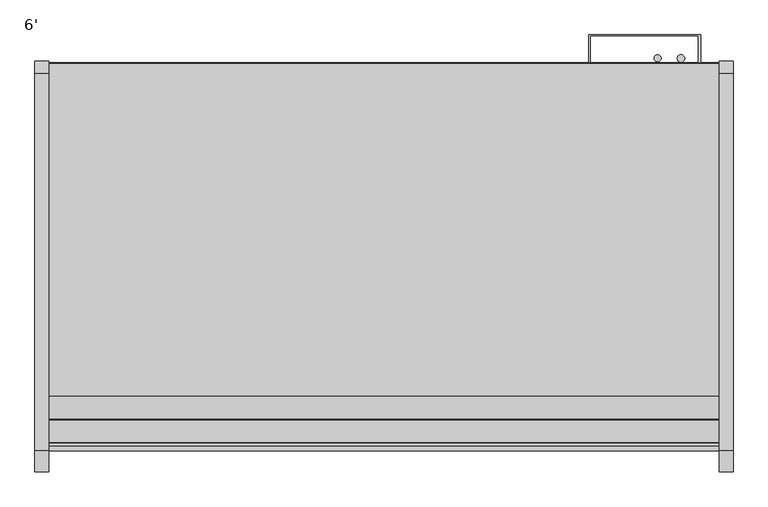
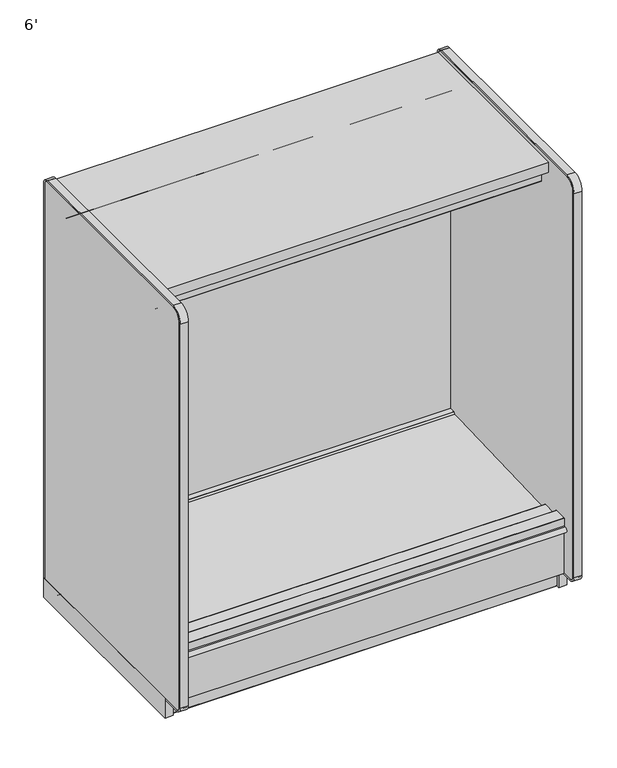
"""IFC4 building model written with IfcOpenShell, lengths in millimetres: proxy geometry, 6'."""

from ifc_helpers import new_model, si_unit, point, frame, frame_2d, origin, origin_with_axes, place, context, project, spatial, polyline, circle_curve, trimmed, segment, composite_curve, outline, extrude, source, transform, mapped, element, save
from ifc_brep_helpers import plane_surface, cylinder_surface, revolved_surface, advanced_brep


def proxy_6_9860b2ac(model_context):
    return source(origin(), model_context, "Body", "SolidModel", [
        advanced_brep(
        [(1828.8, -1254.2383502, 105.16235), (1828.8, -1254.2383502, 5.1562), (1828.8, -1251.8507502, 2.7686), (1828.8, -1219.3133502, 2.7686), (1828.8, -1219.3133502, 70.23735), (1828.8, -489.0633502, 70.23735), (1828.8, -489.0633502, 2.7686), (1828.8, -456.5259502, 2.7686), (1828.8, -454.1383502, 5.1562), (1828.8, -454.1383502, 105.16235), (0.0, -1254.2383502, 105.16235), (0.0, -454.1383502, 105.16235), (0.0, -454.1383502, 5.1562), (0.0, -456.5259502, 2.7686), (0.0, -489.0633502, 2.7686), (0.0, -489.0633502, 70.23735), (0.0, -1219.3133502, 70.23735), (0.0, -1219.3133502, 2.7686), (0.0, -1251.8507502, 2.7686), (0.0, -1254.2383502, 5.1562), (884.7855715, -1219.3133502, 70.23735), (944.0144285, -1219.3133502, 70.23735), (1606.55, -1219.3133502, 70.23735), (1657.35, -1168.5133502, 70.23735), (1555.75, -1168.5133502, 70.23735), (965.2, -1178.0383502, 70.23735), (863.6, -1178.0383502, 70.23735), (1657.35, -1168.5133502, 105.16235), (1555.75, -1168.5133502, 105.16235), (965.2, -1178.0383502, 105.16235), (863.6, -1178.0383502, 105.16235)],
        [
            (0, 1),
            (1, 2, circle_curve(frame((1828.8, -1251.8507502, 5.1562), z_axis=(1.0, 0.0, 0.0), x_axis=(0.0, 1.0, 0.0)), 2.3876)),
            (2, 3),
            (3, 4),
            (4, 5),
            (5, 6),
            (6, 7),
            (7, 8, circle_curve(frame((1828.8, -456.5259502, 5.1562), z_axis=(1.0, 0.0, 0.0), x_axis=(0.0, 1.0, 0.0)), 2.3876)),
            (8, 9),
            (9, 0),
            (10, 11),
            (11, 12),
            (12, 13, circle_curve(frame((0.0, -456.5259502, 5.1562), z_axis=(-1.0, 0.0, 0.0), x_axis=(0.0, 1.0, 0.0)), 2.3876)),
            (13, 14),
            (14, 15),
            (15, 16),
            (16, 17),
            (17, 18),
            (18, 19, circle_curve(frame((0.0, -1251.8507502, 5.1562), z_axis=(-1.0, 0.0, 0.0), x_axis=(0.0, 1.0, 0.0)), 2.3876)),
            (19, 10),
            (0, 10),
            (19, 1),
            (18, 2),
            (17, 3),
            (16, 20),
            (20, 21),
            (21, 22),
            (22, 4),
            (22, 23, circle_curve(frame((1606.55, -1168.5133502, 70.23735), z_axis=(0.0, 0.0, 1.0), x_axis=(1.0, 0.0, 0.0)), 50.8)),
            (23, 24, circle_curve(frame((1606.55, -1168.5133502, 70.23735), z_axis=(0.0, 0.0, 1.0), x_axis=(1.0, 0.0, 0.0)), 50.8)),
            (24, 22, circle_curve(frame((1606.55, -1168.5133502, 70.23735), z_axis=(0.0, 0.0, 1.0), x_axis=(1.0, 0.0, 0.0)), 50.8)),
            (21, 25, circle_curve(frame((914.4, -1178.0383502, 70.23735), z_axis=(0.0, 0.0, 1.0), x_axis=(1.0, 0.0, 0.0)), 50.8)),
            (25, 26, circle_curve(frame((914.4, -1178.0383502, 70.23735), z_axis=(0.0, 0.0, 1.0), x_axis=(1.0, 0.0, 0.0)), 50.8)),
            (26, 20, circle_curve(frame((914.4, -1178.0383502, 70.23735), z_axis=(0.0, 0.0, 1.0), x_axis=(1.0, 0.0, 0.0)), 50.8)),
            (15, 5),
            (14, 6),
            (13, 7),
            (12, 8),
            (11, 9),
            (27, 28, circle_curve(frame((1606.55, -1168.5133502, 105.16235), z_axis=(0.0, 0.0, -1.0), x_axis=(1.0, 0.0, 0.0)), 50.8)),
            (28, 27, circle_curve(frame((1606.55, -1168.5133502, 105.16235), z_axis=(0.0, 0.0, -1.0), x_axis=(1.0, 0.0, 0.0)), 50.8)),
            (29, 30, circle_curve(frame((914.4, -1178.0383502, 105.16235), z_axis=(0.0, 0.0, -1.0), x_axis=(1.0, 0.0, 0.0)), 50.8)),
            (30, 29, circle_curve(frame((914.4, -1178.0383502, 105.16235), z_axis=(0.0, 0.0, -1.0), x_axis=(1.0, 0.0, 0.0)), 50.8)),
            (24, 28),
            (27, 23),
            (20, 21, circle_curve(frame((914.4, -1178.0383502, 70.23735), z_axis=(0.0, 0.0, 1.0), x_axis=(1.0, 0.0, 0.0)), 50.8)),
            (26, 30),
            (29, 25),
        ],
        [
            plane_surface(frame((1828.8, -1254.2383502, 105.16235), z_axis=(1.0, 0.0, 0.0), x_axis=(0.0, 0.0, -1.0))),
            plane_surface(frame((0.0, -1254.2383502, 105.16235), z_axis=(-1.0, 0.0, 0.0), x_axis=(0.0, 0.0, 1.0))),
            plane_surface(frame((1828.8, -1254.2383502, 105.16235), z_axis=(0.0, -1.0, 0.0), x_axis=(-1.0, 0.0, 0.0))),
            cylinder_surface(frame((0.0, -1251.8507502, 5.1562), z_axis=(1.0, 0.0, 0.0), x_axis=(0.0, 1.0, 0.0)), 2.3876),
            plane_surface(frame((1828.8, -1251.8507502, 2.7686), z_axis=(0.0, 0.0, -1.0), x_axis=(-1.0, 0.0, 0.0))),
            plane_surface(frame((1828.8, -1219.3133502, 2.7686), z_axis=(0.0, 1.0, 0.0), x_axis=(-1.0, 0.0, 0.0))),
            plane_surface(frame((1828.8, -1219.3133502, 70.23735), z_axis=(0.0, 0.0, -1.0), x_axis=(-1.0, 0.0, 0.0))),
            plane_surface(frame((1828.8, -489.0633502, 70.23735), z_axis=(0.0, -1.0, 0.0), x_axis=(-1.0, 0.0, 0.0))),
            plane_surface(frame((1828.8, -489.0633502, 2.7686), z_axis=(0.0, 0.0, -1.0), x_axis=(-1.0, 0.0, 0.0))),
            cylinder_surface(frame((0.0, -456.5259502, 5.1562), z_axis=(1.0, 0.0, 0.0), x_axis=(0.0, 1.0, 0.0)), 2.3876),
            plane_surface(frame((1828.8, -454.1383502, 5.1562), z_axis=(0.0, 1.0, 0.0), x_axis=(-1.0, 0.0, 0.0))),
            plane_surface(frame((1828.8, -454.1383502, 105.16235), z_axis=(0.0, 0.0, 1.0), x_axis=(-1.0, 0.0, 0.0))),
            revolved_surface(polyline([(1657.35, -1168.5133502, 105.16235), (1657.35, -1168.5133502, 70.23735)]), (1606.55, -1168.5133502, 70.23735), (0.0, 0.0, 1.0)),
            plane_surface(frame((965.2, -1178.0383502, 70.23735), z_axis=(0.0, 0.0, 1.0), x_axis=(0.0, -1.0, 0.0))),
            revolved_surface(polyline([(965.1999999999999, -1178.0383502, 105.16235), (965.1999999999999, -1178.0383502, 70.23735)]), (914.4, -1178.0383502, 70.23735), (0.0, 0.0, 1.0)),
        ],
        [
            (0, [[1, 2, 3, 4, 5, 6, 7, 8, 9, 10]]),
            (1, [[11, 12, 13, 14, 15, 16, 17, 18, 19, 20]]),
            (2, [[-1, 21, -20, 22]]),
            (3, [[-2, -22, -19, 23]]),
            (4, [[-3, -23, -18, 24]]),
            (5, [[-4, -24, -17, 25, 26, 27, 28]]),
            (6, [[-5, -28, 29, 30, 31, -27, 32, 33, 34, -25, -16, 35]]),
            (7, [[-6, -35, -15, 36]]),
            (8, [[-7, -36, -14, 37]]),
            (9, [[-8, -37, -13, 38]]),
            (10, [[-9, -38, -12, 39]]),
            (11, [[-10, -39, -11, -21], [40, 41], [42, 43]]),
            (12, [[44, -40, 45, -29, -31]]),
            (12, [[-44, -30, -45, -41]]),
            (13, [[46, -26]]),
            (14, [[-46, -34, 47, -42, 48, -32]]),
            (14, [[-47, -33, -48, -43]]),
        ],
    ),
        extrude(outline(composite_curve([segment(polyline([(-451.3697502, 24.892), (-451.3697502, 5.1562)]), True, "CONTINUOUS"), segment(trimmed(circle_curve(frame_2d((-456.5259502, 5.1562)), 5.1562), [point((-451.3697502, 5.1562))], [point((-456.5259502, 0.0))], False, "CARTESIAN"), True, "CONTINUOUS"), segment(polyline([(-456.5259502, 0.0), (-491.4382502, 0.0)]), True, "CONTINUOUS"), segment(trimmed(circle_curve(frame_2d((-491.4382502, 5.1562)), 5.1562), [point((-491.4382502, 0.0))], [point((-496.5944502, 5.1562))], False, "CARTESIAN"), True, "CONTINUOUS"), segment(polyline([(-496.5944502, 5.1562), (-496.5944502, 24.9047)]), True, "CONTINUOUS"), segment(trimmed(circle_curve(frame_2d((-498.9820502, 24.9047)), 2.3876), [point((-496.5944502, 24.9047))], [point((-498.9820502, 27.2923))], True, "CARTESIAN"), True, "CONTINUOUS"), segment(polyline([(-498.9820502, 27.2923), (-510.2088502, 27.2923)]), True, "CONTINUOUS"), segment(trimmed(circle_curve(frame_2d((-510.2088502, 24.9047)), 2.3876), [point((-510.2088502, 27.2923))], [point((-512.5964502, 24.9047))], True, "CARTESIAN"), True, "CONTINUOUS"), segment(polyline([(-512.5964502, 24.9047), (-512.5964502, 7.4422), (-516.0508502, 7.4422), (-516.0508502, 24.9047)]), True, "CONTINUOUS"), segment(trimmed(circle_curve(frame_2d((-510.8946502, 24.9047)), 5.1562), [point((-516.0508502, 24.9047))], [point((-510.8946502, 30.0609))], False, "CARTESIAN"), True, "CONTINUOUS"), segment(polyline([(-510.8946502, 30.0609), (-498.9820502, 30.0609)]), True, "CONTINUOUS"), segment(trimmed(circle_curve(frame_2d((-498.9820502, 24.9047)), 5.1562), [point((-498.9820502, 30.0609))], [point((-493.8258502, 24.9047))], False, "CARTESIAN"), True, "CONTINUOUS"), segment(polyline([(-493.8258502, 24.9047), (-493.8258502, 5.1562)]), True, "CONTINUOUS"), segment(trimmed(circle_curve(frame_2d((-491.4382502, 5.1562)), 2.3876), [point((-493.8258502, 5.1562))], [point((-491.4382502, 2.7686))], True, "CARTESIAN"), True, "CONTINUOUS"), segment(polyline([(-491.4382502, 2.7686), (-456.5259502, 2.7686)]), True, "CONTINUOUS"), segment(trimmed(circle_curve(frame_2d((-456.5259502, 5.1562)), 2.3876), [point((-456.5259502, 2.7686))], [point((-454.1383502, 5.1562))], True, "CARTESIAN"), True, "CONTINUOUS"), segment(polyline([(-454.1383502, 5.1562), (-454.1383502, 24.892), (-451.3697502, 24.892)]), True, "CONTINUOUS")], self_intersect=False)), frame((0.0, 0.0, 0.0), z_axis=(1.0, 0.0, 0.0), x_axis=(0.0, 1.0, 0.0)), (0.0, 0.0, 1.0), 1828.8),
        extrude(outline(composite_curve([segment(polyline([(-1257.0069502, 24.892), (-1254.2383502, 24.892), (-1254.2383502, 5.1562)]), True, "CONTINUOUS"), segment(trimmed(circle_curve(frame_2d((-1251.8507502, 5.1562)), 2.3876), [point((-1254.2383502, 5.1562))], [point((-1251.8507502, 2.7686))], True, "CARTESIAN"), True, "CONTINUOUS"), segment(polyline([(-1251.8507502, 2.7686), (-1216.9384502, 2.7686)]), True, "CONTINUOUS"), segment(trimmed(circle_curve(frame_2d((-1216.9384502, 5.1562)), 2.3876), [point((-1216.9384502, 2.7686))], [point((-1214.5508502, 5.1562))], True, "CARTESIAN"), True, "CONTINUOUS"), segment(polyline([(-1214.5508502, 5.1562), (-1214.5508502, 24.9047)]), True, "CONTINUOUS"), segment(trimmed(circle_curve(frame_2d((-1209.3946502, 24.9047)), 5.1562), [point((-1214.5508502, 24.9047))], [point((-1209.3946502, 30.0609))], False, "CARTESIAN"), True, "CONTINUOUS"), segment(polyline([(-1209.3946502, 30.0609), (-1197.4820502, 30.0609)]), True, "CONTINUOUS"), segment(trimmed(circle_curve(frame_2d((-1197.4820502, 24.9047)), 5.1562), [point((-1197.4820502, 30.0609))], [point((-1192.3258502, 24.9047))], False, "CARTESIAN"), True, "CONTINUOUS"), segment(polyline([(-1192.3258502, 24.9047), (-1192.3258502, 7.4422), (-1195.7802502, 7.4422), (-1195.7802502, 24.9047)]), True, "CONTINUOUS"), segment(trimmed(circle_curve(frame_2d((-1198.1678502, 24.9047)), 2.3876), [point((-1195.7802502, 24.9047))], [point((-1198.1678502, 27.2923))], True, "CARTESIAN"), True, "CONTINUOUS"), segment(polyline([(-1198.1678502, 27.2923), (-1209.3946502, 27.2923)]), True, "CONTINUOUS"), segment(trimmed(circle_curve(frame_2d((-1209.3946502, 24.9047)), 2.3876), [point((-1209.3946502, 27.2923))], [point((-1211.7822502, 24.9047))], True, "CARTESIAN"), True, "CONTINUOUS"), segment(polyline([(-1211.7822502, 24.9047), (-1211.7822502, 5.1562)]), True, "CONTINUOUS"), segment(trimmed(circle_curve(frame_2d((-1216.9384502, 5.1562)), 5.1562), [point((-1211.7822502, 5.1562))], [point((-1216.9384502, 0.0))], False, "CARTESIAN"), True, "CONTINUOUS"), segment(polyline([(-1216.9384502, 0.0), (-1251.8507502, 0.0)]), True, "CONTINUOUS"), segment(trimmed(circle_curve(frame_2d((-1251.8507502, 5.1562)), 5.1562), [point((-1251.8507502, 0.0))], [point((-1257.0069502, 5.1562))], False, "CARTESIAN"), True, "CONTINUOUS"), segment(polyline([(-1257.0069502, 5.1562), (-1257.0069502, 24.892)]), True, "CONTINUOUS")], self_intersect=False)), frame((0.0, 0.0, 0.0), z_axis=(1.0, 0.0, 0.0), x_axis=(0.0, 1.0, 0.0)), (0.0, 0.0, 1.0), 1828.8),
        extrude(outline(composite_curve([segment(trimmed(circle_curve(frame_2d((1661.0209056, -439.1639482)), 9.525), [point((1651.4959056, -439.1639482))], [point((1670.5459056, -439.1639482))], False, "CARTESIAN"), True, "CONTINUOUS"), segment(trimmed(circle_curve(frame_2d((1661.0209056, -439.1639482)), 9.525), [point((1670.5459056, -439.1639482))], [point((1651.4959056, -439.1639482))], False, "CARTESIAN"), True, "CONTINUOUS")], self_intersect=False)), frame((0.0, 0.0, 792.5674787), z_axis=(0.0, 0.0, 1.0), x_axis=(1.0, 0.0, 0.0)), (0.0, 0.0, 1.0), 1168.7570226),
        extrude(outline(composite_curve([segment(trimmed(circle_curve(frame_2d((1724.5917977, -439.6429538)), 10.2531742), [point((1714.3386235, -439.6429538))], [point((1734.8449719, -439.6429538))], False, "CARTESIAN"), True, "CONTINUOUS"), segment(trimmed(circle_curve(frame_2d((1724.5917977, -439.6429538)), 10.2531742), [point((1734.8449719, -439.6429538))], [point((1714.3386235, -439.6429538))], False, "CARTESIAN"), True, "CONTINUOUS")], self_intersect=False)), frame((0.0, 0.0, 792.5674787), z_axis=(0.0, 0.0, 1.0), x_axis=(1.0, 0.0, 0.0)), (0.0, 0.0, 1.0), 1168.7570226),
        extrude(outline(polyline([(1473.2, -375.1697502), (1778.0, -375.1697502), (1778.0, -451.3697502), (1772.280599, -451.3697502), (1772.280599, -377.80742), (1477.0597521, -377.80742), (1477.0597521, -451.3697502), (1473.2, -451.3697502), (1473.2, -375.1697502)])), frame((0.0, 0.0, 237.9789513), z_axis=(0.0, 0.0, 1.0), x_axis=(1.0, 0.0, 0.0)), (0.0, 0.0, 1.0), 1710.01055),
        extrude(outline(polyline([(1866.9, -446.4985065), (1866.9, -1443.7687873), (1828.8, -1443.7687873), (1828.8, -446.4985065), (1866.9, -446.4985065)])), origin_with_axes(), (0.0, 0.0, 1.0), 98.81235),
        extrude(outline(composite_curve([segment(trimmed(circle_curve(frame_2d((-1497.6269405, 323.2962194)), 12.7), [point((-1497.6269405, 310.5962194))], [point((-1497.6269405, 335.9962194))], False, "CARTESIAN"), True, "CONTINUOUS"), segment(polyline([(-1497.6269405, 335.9962194), (-1489.2352586, 335.9962194), (-1489.2352586, 310.5962194), (-1497.6269405, 310.5962194)]), True, "CONTINUOUS")], self_intersect=False)), frame((0.0, 0.0, 0.0), z_axis=(1.0, 0.0, 0.0), x_axis=(0.0, 1.0, 0.0)), (0.0, 0.0, 1.0), 1828.8),
        extrude(outline(polyline([(1828.8, -1199.723124), (1828.8, -1299.5321065), (0.0, -1299.5321065), (0.0, -1199.723124), (1828.8, -1199.723124)])), frame((0.0, 0.0, 1949.1777451), z_axis=(0.0, 0.0, 1.0), x_axis=(1.0, 0.0, 0.0)), (0.0, 0.0, 1.0), 24.9083039),
        extrude(outline(polyline([(1828.8, -1425.21163), (1828.8, -1474.7938566), (0.0, -1474.7938566), (0.0, -1425.21163), (1828.8, -1425.21163)])), frame((0.0, 0.0, 269.2585075), z_axis=(0.0, 0.0, 1.0), x_axis=(1.0, 0.0, 0.0)), (0.0, 0.0, 1.0), 86.5178535),
        extrude(outline(composite_curve([segment(polyline([(-1487.3589273, 323.2962194), (-1489.2352586, 323.2962194), (-1489.2352586, 373.8422194)]), True, "CONTINUOUS"), segment(trimmed(circle_curve(frame_2d((-1487.6604586, 373.8422194)), 1.5748), [point((-1489.2352586, 373.8422194))], [point((-1487.6604586, 375.4170194))], False, "CARTESIAN"), True, "CONTINUOUS"), segment(polyline([(-1487.6604586, 375.4170194), (-1426.6598594, 375.4170194)]), True, "CONTINUOUS"), segment(trimmed(circle_curve(frame_2d((-1426.6598594, 373.8422194)), 1.5748), [point((-1426.6598594, 375.4170194))], [point((-1425.0850594, 373.8422194))], False, "CARTESIAN"), True, "CONTINUOUS"), segment(polyline([(-1425.0850594, 373.8422194), (-1425.0850594, 355.7763611), (-1474.7938566, 355.7763611), (-1474.7938566, 105.16235), (-1457.9209502, 105.16235), (-1457.9209502, 97.61855), (-1487.3589273, 97.61855), (-1487.3589273, 323.2962194)]), True, "CONTINUOUS")], self_intersect=False)), frame((0.0, 0.0, 0.0), z_axis=(1.0, 0.0, 0.0), x_axis=(0.0, 1.0, 0.0)), (0.0, 0.0, 1.0), 1828.8),
        extrude(outline(composite_curve([segment(polyline([(-504.1937745, 187.1774545), (-1341.005955, 157.9553293), (-1425.21163, 167.5451411), (-1425.21163, 347.5376575), (-1336.1824949, 350.6466237)]), True, "CONTINUOUS"), segment(trimmed(circle_curve(frame_2d((-1336.1142384, 348.6920151)), 1.9558), [point((-1336.1824949, 350.6466237))], [point((-1334.1596299, 348.7602715))], False, "CARTESIAN"), True, "CONTINUOUS"), segment(polyline([(-1334.1596299, 348.7602715), (-1333.2971167, 324.0611268), (-589.0533013, 350.0506957), (-582.1621455, 357.4405555)]), True, "CONTINUOUS"), segment(trimmed(circle_curve(frame_2d((-581.0475625, 356.40119)), 1.524), [point((-582.1621455, 357.4405555))], [point((-581.1007493, 357.9242616))], False, "CARTESIAN"), True, "CONTINUOUS"), segment(polyline([(-581.1007493, 357.9242616), (-555.6910045, 358.8115894), (-555.6910045, 237.9789513), (-504.1937745, 237.9789513), (-504.1937745, 187.1774545)]), True, "CONTINUOUS")], self_intersect=False)), frame((0.0, 0.0, 0.0), z_axis=(1.0, 0.0, 0.0), x_axis=(0.0, 1.0, 0.0)), (0.0, 0.0, 1.0), 1828.8),
        extrude(outline(composite_curve([segment(polyline([(-504.1937745, 237.9789513), (-555.6910045, 237.9789513), (-555.6910045, 1936.2930061)]), True, "CONTINUOUS"), segment(trimmed(circle_curve(frame_2d((-581.1383502, 1935.8737013)), 25.4508), [point((-555.6910045, 1936.2930061))], [point((-581.1383502, 1961.3245013))], True, "CARTESIAN"), True, "CONTINUOUS"), segment(polyline([(-581.1383502, 1961.3245013), (-648.0165502, 1961.3245013), (-648.0165502, 1975.0611268), (-1198.4332802, 1975.0611268), (-1198.4332802, 1949.4119013)]), True, "CONTINUOUS"), segment(trimmed(circle_curve(frame_2d((-1199.9572802, 1949.4119013)), 1.524), [point((-1198.4332802, 1949.4119013))], [point((-1199.9572802, 1947.8879013))], False, "CARTESIAN"), True, "CONTINUOUS"), segment(polyline([(-1199.9572802, 1947.8879013), (-1210.3458802, 1947.8879013), (-1210.3458802, 1949.1777451), (-1199.723124, 1949.1777451), (-1199.723124, 1974.0860489), (-1299.5321065, 1974.0860489), (-1299.5321065, 1949.2793451), (-1290.3444502, 1949.2793451), (-1290.3444502, 1947.9895013), (-1299.5019338, 1947.9895013)]), True, "CONTINUOUS"), segment(trimmed(circle_curve(frame_2d((-1299.5019338, 1949.3095178)), 1.3200165), [point((-1299.5019338, 1947.9895013))], [point((-1300.8219502, 1949.3095178))], False, "CARTESIAN"), True, "CONTINUOUS"), segment(polyline([(-1300.8219502, 1949.3095178), (-1300.8219502, 2029.1361513), (-504.1937745, 2029.1361513), (-504.1937745, 237.9789513)]), True, "CONTINUOUS")], self_intersect=False)), frame((0.0, 0.0, 0.0), z_axis=(1.0, 0.0, 0.0), x_axis=(0.0, 1.0, 0.0)), (0.0, 0.0, 1.0), 1828.8),
        extrude(outline(polyline([(-454.1383502, 2079.9361513), (-454.1383502, 304.27295), (-504.1937745, 304.27295), (-504.1937745, 2029.1361513), (-1361.2177409, 2029.1361513), (-1361.2177409, 2079.9361513), (-454.1383502, 2079.9361513)])), frame((0.0, 0.0, 0.0), z_axis=(1.0, 0.0, 0.0), x_axis=(0.0, 1.0, 0.0)), (0.0, 0.0, 1.0), 1828.8),
        extrude(outline(polyline([(-1474.7938566, 105.16235), (-1474.7938566, 269.2585075), (-1425.21163, 269.2585075), (-1425.21163, 167.5451411), (-1341.005955, 157.9553293), (-504.1937745, 187.1774545), (-504.1937745, 304.27295), (-454.1383502, 304.27295), (-454.1383502, 105.16235), (-1474.7938566, 105.16235)])), frame((0.0, 0.0, 0.0), z_axis=(1.0, 0.0, 0.0), x_axis=(0.0, 1.0, 0.0)), (0.0, 0.0, 1.0), 1828.8),
        extrude(outline(composite_curve([segment(trimmed(circle_curve(frame_2d((-1428.9268502, 1.524)), 1.524), [point((-1428.9268502, 0.0))], [point((-1430.4508502, 1.524))], False, "CARTESIAN"), True, "CONTINUOUS"), segment(polyline([(-1430.4508502, 1.524), (-1430.4508502, 98.425)]), True, "CONTINUOUS"), segment(trimmed(circle_curve(frame_2d((-1429.7142502, 98.425)), 0.7366), [point((-1430.4508502, 98.425))], [point((-1429.7142502, 99.1616))], False, "CARTESIAN"), True, "CONTINUOUS"), segment(polyline([(-1429.7142502, 99.1616), (-1429.7142502, 1.524)]), True, "CONTINUOUS"), segment(trimmed(circle_curve(frame_2d((-1428.9268502, 1.524)), 0.7874), [point((-1429.7142502, 1.524))], [point((-1428.9268502, 0.7366))], True, "CARTESIAN"), True, "CONTINUOUS"), segment(polyline([(-1428.9268502, 0.7366), (-1425.8193538, 0.7366), (-1425.3035809, 1.4732), (-1419.6901809, 1.4732)]), True, "CONTINUOUS"), segment(trimmed(circle_curve(frame_2d((-1419.6901809, 0.7366)), 0.7366), [point((-1419.6901809, 1.4732))], [point((-1419.6901809, 0.0))], False, "CARTESIAN"), True, "CONTINUOUS"), segment(polyline([(-1419.6901809, 0.0), (-1428.9268502, 0.0)]), True, "CONTINUOUS")], self_intersect=False)), frame((0.0, 0.0, 0.0), z_axis=(1.0, 0.0, 0.0), x_axis=(0.0, 1.0, 0.0)), (0.0, 0.0, 1.0), 1828.8),
        extrude(outline(composite_curve([segment(polyline([(-479.5383502, 2098.675), (-1509.9417448, 2098.675)]), True, "CONTINUOUS"), segment(trimmed(circle_curve(frame_2d((-1509.9417448, 2047.875)), 50.8), [point((-1509.9417448, 2098.675))], [point((-1560.7417448, 2047.875))], True, "CARTESIAN"), True, "CONTINUOUS"), segment(polyline([(-1560.7417448, 2047.875), (-1560.7417448, 124.21235)]), True, "CONTINUOUS"), segment(trimmed(circle_curve(frame_2d((-1535.3417448, 124.21235)), 25.4), [point((-1560.7417448, 124.21235))], [point((-1535.3417448, 98.81235))], True, "CARTESIAN"), True, "CONTINUOUS"), segment(polyline([(-1535.3417448, 98.81235), (-1443.7687873, 98.81235), (-1443.7687873, 91.1725063), (-1535.3417448, 91.1725063)]), True, "CONTINUOUS"), segment(trimmed(circle_curve(frame_2d((-1535.3417448, 124.21235)), 33.0398438), [point((-1535.3417448, 91.1725063))], [point((-1568.3815885, 124.21235))], False, "CARTESIAN"), True, "CONTINUOUS"), segment(polyline([(-1568.3815885, 124.21235), (-1568.3815885, 2047.875)]), True, "CONTINUOUS"), segment(trimmed(circle_curve(frame_2d((-1509.9417448, 2047.875)), 58.4398437), [point((-1568.3815885, 2047.875))], [point((-1509.9417448, 2106.3148438))], False, "CARTESIAN"), True, "CONTINUOUS"), segment(polyline([(-1509.9417448, 2106.3148438), (-479.5383502, 2106.3148438)]), True, "CONTINUOUS"), segment(trimmed(circle_curve(frame_2d((-479.5383502, 2073.275)), 33.0398438), [point((-479.5383502, 2106.3148438))], [point((-446.4985065, 2073.275))], False, "CARTESIAN"), True, "CONTINUOUS"), segment(polyline([(-446.4985065, 2073.275), (-446.4985065, 98.81235), (-454.1383502, 98.81235), (-454.1383502, 2073.275)]), True, "CONTINUOUS"), segment(trimmed(circle_curve(frame_2d((-479.5383502, 2073.275)), 25.4), [point((-454.1383502, 2073.275))], [point((-479.5383502, 2098.675))], True, "CARTESIAN"), True, "CONTINUOUS")], self_intersect=False)), frame((1828.8, 0.0, 0.0), z_axis=(1.0, 0.0, 0.0), x_axis=(0.0, 1.0, 0.0)), (0.0, 0.0, 1.0), 38.1),
        extrude(outline(composite_curve([segment(trimmed(circle_curve(frame_2d((-479.5383502, 2073.275)), 25.4), [point((-479.5383502, 2098.675))], [point((-454.1383502, 2073.275))], False, "CARTESIAN"), True, "CONTINUOUS"), segment(polyline([(-454.1383502, 2073.275), (-454.1383502, 98.81235), (-1535.3417448, 98.81235)]), True, "CONTINUOUS"), segment(trimmed(circle_curve(frame_2d((-1535.3417448, 124.21235)), 25.4), [point((-1535.3417448, 98.81235))], [point((-1560.7417448, 124.21235))], False, "CARTESIAN"), True, "CONTINUOUS"), segment(polyline([(-1560.7417448, 124.21235), (-1560.7417448, 2047.875)]), True, "CONTINUOUS"), segment(trimmed(circle_curve(frame_2d((-1509.9417448, 2047.875)), 50.8), [point((-1560.7417448, 2047.875))], [point((-1509.9417448, 2098.675))], False, "CARTESIAN"), True, "CONTINUOUS"), segment(polyline([(-1509.9417448, 2098.675), (-479.5383502, 2098.675)]), True, "CONTINUOUS")], self_intersect=False)), frame((1828.8, 0.0, 0.0), z_axis=(1.0, 0.0, 0.0), x_axis=(0.0, 1.0, 0.0)), (0.0, 0.0, 1.0), 38.1),
        extrude(outline(polyline([(0.0, -446.4985065), (0.0, -1443.7687873), (-38.1, -1443.7687873), (-38.1, -446.4985065), (0.0, -446.4985065)])), origin_with_axes(), (0.0, 0.0, 1.0), 98.81235),
        extrude(outline(composite_curve([segment(polyline([(-479.5383502, 2098.675), (-1509.9417448, 2098.675)]), True, "CONTINUOUS"), segment(trimmed(circle_curve(frame_2d((-1509.9417448, 2047.875)), 50.8), [point((-1509.9417448, 2098.675))], [point((-1560.7417448, 2047.875))], True, "CARTESIAN"), True, "CONTINUOUS"), segment(polyline([(-1560.7417448, 2047.875), (-1560.7417448, 124.21235)]), True, "CONTINUOUS"), segment(trimmed(circle_curve(frame_2d((-1535.3417448, 124.21235)), 25.4), [point((-1560.7417448, 124.21235))], [point((-1535.3417448, 98.81235))], True, "CARTESIAN"), True, "CONTINUOUS"), segment(polyline([(-1535.3417448, 98.81235), (-1443.7687873, 98.81235), (-1443.7687873, 91.1725063), (-1535.3417448, 91.1725063)]), True, "CONTINUOUS"), segment(trimmed(circle_curve(frame_2d((-1535.3417448, 124.21235)), 33.0398438), [point((-1535.3417448, 91.1725063))], [point((-1568.3815885, 124.21235))], False, "CARTESIAN"), True, "CONTINUOUS"), segment(polyline([(-1568.3815885, 124.21235), (-1568.3815885, 2047.875)]), True, "CONTINUOUS"), segment(trimmed(circle_curve(frame_2d((-1509.9417448, 2047.875)), 58.4398437), [point((-1568.3815885, 2047.875))], [point((-1509.9417448, 2106.3148438))], False, "CARTESIAN"), True, "CONTINUOUS"), segment(polyline([(-1509.9417448, 2106.3148438), (-479.5383502, 2106.3148438)]), True, "CONTINUOUS"), segment(trimmed(circle_curve(frame_2d((-479.5383502, 2073.275)), 33.0398438), [point((-479.5383502, 2106.3148438))], [point((-446.4985065, 2073.275))], False, "CARTESIAN"), True, "CONTINUOUS"), segment(polyline([(-446.4985065, 2073.275), (-446.4985065, 98.81235), (-454.1383502, 98.81235), (-454.1383502, 2073.275)]), True, "CONTINUOUS"), segment(trimmed(circle_curve(frame_2d((-479.5383502, 2073.275)), 25.4), [point((-454.1383502, 2073.275))], [point((-479.5383502, 2098.675))], True, "CARTESIAN"), True, "CONTINUOUS")], self_intersect=False)), frame((-38.1, 0.0, 0.0), z_axis=(1.0, 0.0, 0.0), x_axis=(0.0, 1.0, 0.0)), (0.0, 0.0, 1.0), 38.1),
        extrude(outline(composite_curve([segment(trimmed(circle_curve(frame_2d((-479.5383502, 2073.275)), 25.4), [point((-479.5383502, 2098.675))], [point((-454.1383502, 2073.275))], False, "CARTESIAN"), True, "CONTINUOUS"), segment(polyline([(-454.1383502, 2073.275), (-454.1383502, 98.81235), (-1535.3417448, 98.81235)]), True, "CONTINUOUS"), segment(trimmed(circle_curve(frame_2d((-1535.3417448, 124.21235)), 25.4), [point((-1535.3417448, 98.81235))], [point((-1560.7417448, 124.21235))], False, "CARTESIAN"), True, "CONTINUOUS"), segment(polyline([(-1560.7417448, 124.21235), (-1560.7417448, 2047.875)]), True, "CONTINUOUS"), segment(trimmed(circle_curve(frame_2d((-1509.9417448, 2047.875)), 50.8), [point((-1560.7417448, 2047.875))], [point((-1509.9417448, 2098.675))], False, "CARTESIAN"), True, "CONTINUOUS"), segment(polyline([(-1509.9417448, 2098.675), (-479.5383502, 2098.675)]), True, "CONTINUOUS")], self_intersect=False)), frame((-38.1, 0.0, 0.0), z_axis=(1.0, 0.0, 0.0), x_axis=(0.0, 1.0, 0.0)), (0.0, 0.0, 1.0), 38.1),
    ])


if __name__ == "__main__":
    model = new_model("IFC4")
    model_context = context("Model", 3, world=origin())
    ifc_project = project(units=[si_unit("LENGTHUNIT", "METRE", prefix="MILLI")], contexts=[model_context])
    site = spatial("IfcSite", under=ifc_project)
    building = spatial("IfcBuilding", under=site)
    placement = place(None, origin())
    proxy_6_shape = proxy_6_9860b2ac(model_context)
    element("IfcBuildingElementProxy", 1, Name="6'", ObjectType="6'", at=placement, inside=building, context=model_context, shape_type="MappedRepresentation", body=[
        mapped(proxy_6_shape, transform((0.0, 0.0, 0.0), x_axis=(1.0, 0.0, 0.0), y_axis=(0.0, 1.0, 0.0), z_axis=(0.0, 0.0, 1.0))),
    ])
    save(model, "model.ifc")
